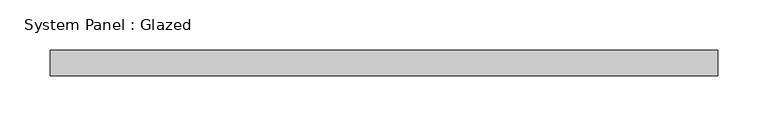
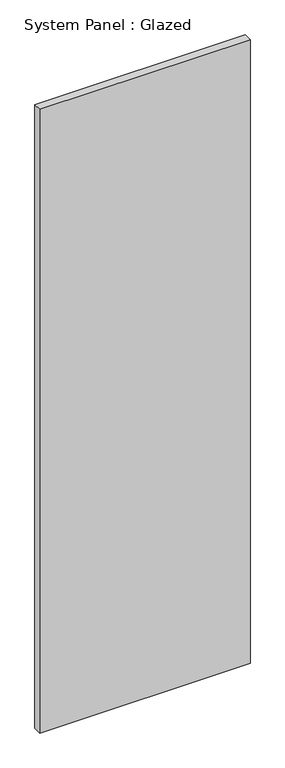
"""IFC4 building model written with IfcOpenShell, lengths in millimetres: plate geometry, System Panel : Glazed."""

from ifc_helpers import new_model, si_unit, origin, origin_with_axes, place, context, project, spatial, polyline, outline, extrude, source, transform, mapped, element, save


def system_panel_glazed_546e0de2(model_context):
    return source(origin(), model_context, "Body", "SweptSolid", [
        extrude(outline(polyline([(331.2583333, -44.45), (-331.2583333, -44.45), (-331.2583333, -19.05), (331.2583333, -19.05), (331.2583333, -44.45)])), origin_with_axes(), (0.0, 0.0, 1.0), 2076.45),
    ])


if __name__ == "__main__":
    model = new_model("IFC4")
    model_context = context("Model", 3, world=origin())
    ifc_project = project(units=[si_unit("LENGTHUNIT", "METRE", prefix="MILLI")], contexts=[model_context])
    site = spatial("IfcSite", under=ifc_project)
    building = spatial("IfcBuilding", under=site)
    placement = place(None, origin())
    system_panel_glazed_shape = system_panel_glazed_546e0de2(model_context)
    element("IfcPlate", 1, ObjectType="System Panel : Glazed", at=placement, inside=building, context=model_context, shape_type="MappedRepresentation", body=[
        mapped(system_panel_glazed_shape, transform((0.0, 0.0, 0.0), x_axis=(1.0, 0.0, 0.0), y_axis=(0.0, 1.0, 0.0), z_axis=(0.0, 0.0, 1.0))),
    ])
    save(model, "model.ifc")
